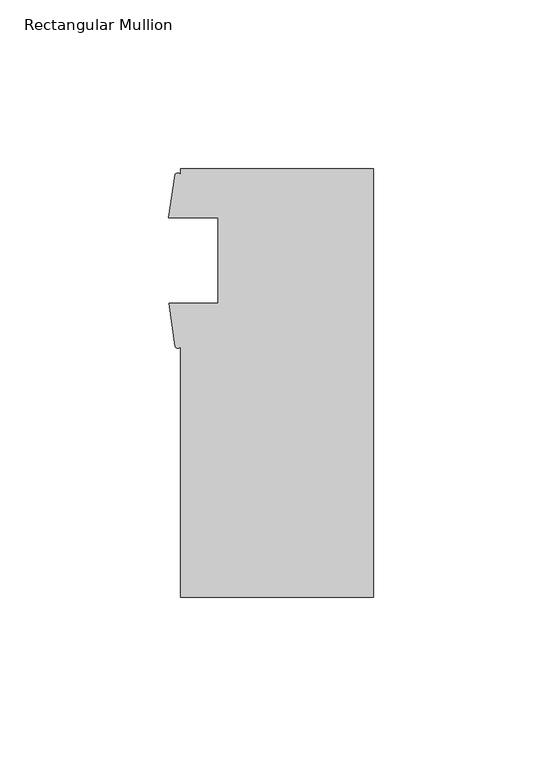
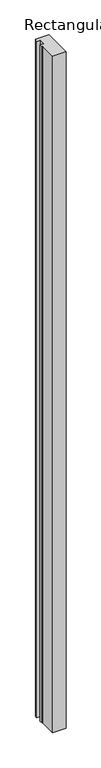
"""IFC4 building model written with IfcOpenShell, lengths in millimetres: member geometry, Rectangular Mullion."""

import ifcopenshell
import ifcopenshell.guid

model = None  # the IFC model being written
_history = None  # IfcOwnerHistory: only IFC2X3 demands one
_inside = {}  # id of a spatial element -> (the spatial element, [elements in it])
_under = {}  # id of a project, library or spatial element -> (it, [spatial elements below it])
_declared = {}  # id of a project -> (the project, [libraries it declares])
_typed = {}  # id of a type object -> (the type object, [elements of that type])
_made_of = {}  # id of a material, layer set ... -> (it, [elements and type objects made of it])


def new_model(schema):
    """Start an empty IFC model of exactly this schema.

    Asked for "IFC4X3", IfcOpenShell would pick the latest addendum, in which some entities
    have other attributes; the version numbers below select the first issue.
    IFC2X3 requires an IfcOwnerHistory on every rooted entity: one is made here for all.
    """
    global model, _history
    if schema == "IFC4X3":
        model = ifcopenshell.file(schema_version=(4, 3, 0, 0))
    else:
        model = ifcopenshell.file(schema=schema)
    _inside.clear()
    _under.clear()
    _declared.clear()
    _typed.clear()
    _made_of.clear()
    _history = None
    if model.schema == "IFC2X3":
        org = make("IfcOrganization", Name="unknown")
        user = make(
            "IfcPersonAndOrganization",
            ThePerson=make("IfcPerson", FamilyName="unknown"),
            TheOrganization=org,
        )
        app = make(
            "IfcApplication",
            ApplicationDeveloper=org,
            Version="unknown",
            ApplicationFullName="unknown",
            ApplicationIdentifier="unknown",
        )
        _history = make(
            "IfcOwnerHistory",
            OwningUser=user,
            OwningApplication=app,
            ChangeAction="ADDED",
            CreationDate=0,
        )
    return model


def make(cls, **values):
    """One entity of the class cls with the attributes given. An attribute that is None is left unset."""
    return model.create_entity(
        cls, **{name: value for name, value in values.items() if value is not None}
    )


def rooted(cls, **values):
    """An entity with a GlobalId (a new one), such as an element, a storey or a relation."""
    return make(cls, GlobalId=ifcopenshell.guid.new(), OwnerHistory=_history, **values)


def si_unit(unit_type, name, prefix=None):
    """IfcSIUnit, for example si_unit("LENGTHUNIT", "METRE", prefix="MILLI")."""
    return make("IfcSIUnit", UnitType=unit_type, Prefix=prefix, Name=name)


def assignment(units):
    """IfcUnitAssignment: the units of a project."""
    return None if units is None else make("IfcUnitAssignment", Units=units)


def point(xyz):
    """IfcCartesianPoint."""
    return None if xyz is None else make("IfcCartesianPoint", Coordinates=xyz)


def direction(xyz):
    """IfcDirection."""
    return None if xyz is None else make("IfcDirection", DirectionRatios=xyz)


def frame(location, z_axis=None, x_axis=None):
    """IfcAxis2Placement3D, a coordinate frame: its origin and axes. An axis left out is left unset."""
    return make(
        "IfcAxis2Placement3D",
        Location=point(location),
        Axis=direction(z_axis),
        RefDirection=direction(x_axis),
    )


def frame_2d(location, x_axis=None):
    """IfcAxis2Placement2D, a coordinate frame in the plane: its origin and x axis."""
    return make(
        "IfcAxis2Placement2D", Location=point(location), RefDirection=direction(x_axis)
    )


def origin():
    """The frame at (0, 0, 0) with its axes left unset."""
    return frame((0.0, 0.0, 0.0))


def place(relative_to, where):
    """IfcLocalPlacement: puts the frame where relative to a parent placement (None: the world)."""
    return make(
        "IfcLocalPlacement", PlacementRelTo=relative_to, RelativePlacement=where
    )


def context(
    kind, dimensions, precision=None, world=None, true_north=None, identifier=None
):
    """IfcGeometricRepresentationContext, for example the 3D "Model" context."""
    return make(
        "IfcGeometricRepresentationContext",
        ContextIdentifier=identifier,
        ContextType=kind,
        CoordinateSpaceDimension=dimensions,
        Precision=precision,
        WorldCoordinateSystem=world,
        TrueNorth=true_north,
    )


def project(units=None, contexts=None):
    """IfcProject with its units and contexts."""
    return rooted(
        "IfcProject",
        Name="project",
        RepresentationContexts=contexts,
        UnitsInContext=assignment(units),
    )


def spatial(cls, under=None, at=None, **own):
    """A site, building, storey or space (cls), placed at a placement, below another one or the project."""
    s = rooted(cls, ObjectPlacement=at, **own)
    if under is not None:
        _under.setdefault(under.id(), (under, []))[1].append(s)
    return s


def polyline(points):
    """IfcPolyline through the points."""
    return make("IfcPolyline", Points=[point(p) for p in points])


def circle_curve(where, radius):
    """IfcCircle in the frame where."""
    return make("IfcCircle", Position=where, Radius=radius)


def trimmed(basis, trim1, trim2, sense, master):
    """IfcTrimmedCurve: the piece of a basis curve between two trims."""
    return make(
        "IfcTrimmedCurve",
        BasisCurve=basis,
        Trim1=trim1,
        Trim2=trim2,
        SenseAgreement=sense,
        MasterRepresentation=master,
    )


def segment(curve, same_sense, transition):
    """IfcCompositeCurveSegment."""
    return make(
        "IfcCompositeCurveSegment",
        Transition=transition,
        SameSense=same_sense,
        ParentCurve=curve,
    )


def composite_curve(segments, self_intersect=None):
    """IfcCompositeCurve: segments joined end to end."""
    return make("IfcCompositeCurve", Segments=segments, SelfIntersect=self_intersect)


def outline(outer, holes=None, kind="AREA"):
    """IfcArbitraryClosedProfileDef: a profile drawn as a closed curve; with holes, ...WithVoids."""
    if holes is None:
        return make("IfcArbitraryClosedProfileDef", ProfileType=kind, OuterCurve=outer)
    return make(
        "IfcArbitraryProfileDefWithVoids",
        ProfileType=kind,
        OuterCurve=outer,
        InnerCurves=holes,
    )


def extrude(swept, where, along, depth):
    """IfcExtrudedAreaSolid: the profile swept, set in the frame where, extruded along a direction by depth."""
    return make(
        "IfcExtrudedAreaSolid",
        SweptArea=swept,
        Position=where,
        ExtrudedDirection=direction(along),
        Depth=depth,
    )


def shape(context_of_items, identifier, shape_type, items):
    """IfcShapeRepresentation: the items that make up one representation, for example the "Body"."""
    return make(
        "IfcShapeRepresentation",
        ContextOfItems=context_of_items,
        RepresentationIdentifier=identifier,
        RepresentationType=shape_type,
        Items=items,
    )


def source(mapping_origin, context_of_items, identifier, shape_type, items):
    """IfcRepresentationMap: a shape defined once, which mapped items show again and again."""
    return make(
        "IfcRepresentationMap",
        MappingOrigin=mapping_origin,
        MappedRepresentation=shape(context_of_items, identifier, shape_type, items),
    )


def transform(
    local_origin,
    x_axis=None,
    y_axis=None,
    z_axis=None,
    scale=None,
    scale2=None,
    scale3=None,
    uniform=True,
):
    """IfcCartesianTransformationOperator3D, or its non-uniform kind. x_axis, y_axis, z_axis: its Axis1, 2, 3."""
    if uniform:
        return make(
            "IfcCartesianTransformationOperator3D",
            Axis1=direction(x_axis),
            Axis2=direction(y_axis),
            LocalOrigin=point(local_origin),
            Scale=scale,
            Axis3=direction(z_axis),
        )
    return make(
        "IfcCartesianTransformationOperator3DnonUniform",
        Axis1=direction(x_axis),
        Axis2=direction(y_axis),
        LocalOrigin=point(local_origin),
        Scale=scale,
        Axis3=direction(z_axis),
        Scale2=scale2,
        Scale3=scale3,
    )


def mapped(mapping_source, mapping_target):
    """IfcMappedItem: shows the shape of a source again, moved by a transform."""
    return make(
        "IfcMappedItem", MappingSource=mapping_source, MappingTarget=mapping_target
    )


def made_of(thing, what):
    """Note that an element or type object is made of a material, layer set ...; save() writes the relation."""
    if what is not None:
        _made_of.setdefault(what.id(), (what, []))[1].append(thing)
    return thing


def element(
    cls,
    number,
    at=None,
    inside=None,
    cuts=None,
    type_object=None,
    material=None,
    context=None,
    identifier="Body",
    shape_type=None,
    held_by="IfcProductDefinitionShape",
    body=None,
    shapes=None,
    **own,
):
    """One element of the class cls, such as IfcWall. Its Tag is "e" and its number.

    at: its placement. inside: the storey or other place that contains it. cuts: it is an
    opening in that element (IfcRelVoidsElement). A single representation is given by context,
    identifier, shape_type and body (its items); several are given by shapes. held_by: the class
    of the entity that holds the representations. save() writes the other relations.
    """
    e = rooted(cls, Tag="e%d" % number, ObjectPlacement=at, **own)
    if body is not None:
        shapes = [shape(context, identifier, shape_type, body)]
    if shapes is not None:
        e.Representation = make(held_by, Representations=shapes)
    if inside is not None:
        _inside.setdefault(inside.id(), (inside, []))[1].append(e)
    if cuts is not None:
        rooted(
            "IfcRelVoidsElement", RelatingBuildingElement=cuts, RelatedOpeningElement=e
        )
    if type_object is not None:
        _typed.setdefault(type_object.id(), (type_object, []))[1].append(e)
    return made_of(e, material)


def aggregate(whole, parts):
    """IfcRelAggregates: a whole, such as a stair, and the parts it consists of."""
    return rooted("IfcRelAggregates", RelatingObject=whole, RelatedObjects=parts)


def save(model, path):
    """Write the relations noted so far, then the file.

    IfcRelAggregates (storeys below a building ...), IfcRelContainedInSpatialStructure (elements
    in a storey), IfcRelDefinesByType, IfcRelAssociatesMaterial and IfcRelDeclares: one each for
    every whole, place, type object, material and project.
    """
    for whole, parts in _under.values():
        aggregate(whole, parts)
    for where, things in _inside.values():
        rooted(
            "IfcRelContainedInSpatialStructure",
            RelatedElements=things,
            RelatingStructure=where,
        )
    for kind, things in _typed.values():
        rooted("IfcRelDefinesByType", RelatedObjects=things, RelatingType=kind)
    for what, things in _made_of.values():
        rooted("IfcRelAssociatesMaterial", RelatedObjects=things, RelatingMaterial=what)
    for by, libraries in _declared.values():
        rooted("IfcRelDeclares", RelatingContext=by, RelatedDefinitions=libraries)
    model.write(path)


def rectangular_mullion_473307ea(model_context):
    return source(origin(), model_context, "Body", "SweptSolid", [
        extrude(outline(composite_curve([segment(polyline([(0.0, -66.2412316), (-57.15, -66.2412316), (-57.15, 8.1552434)]), True, "CONTINUOUS"), segment(trimmed(circle_curve(frame_2d((-57.948, 8.4911956)), 0.8658336), [point((-57.15, 8.1552434))], [point((-58.746, 8.1552434))], False, "CARTESIAN"), True, "CONTINUOUS"), segment(polyline([(-58.746, 8.1552434), (-60.546, 20.8552434), (-46.0375, 20.8552434), (-46.0375, 46.2552434), (-60.6695217, 46.2552434), (-58.8134044, 59.0282962)]), True, "CONTINUOUS"), segment(trimmed(circle_curve(frame_2d((-57.9817022, 58.4713431)), 1.0009622), [point((-58.8134044, 59.0282962))], [point((-57.15, 59.0282962))], False, "CARTESIAN"), True, "CONTINUOUS"), segment(polyline([(-57.15, 59.0282962), (-57.15, 60.7587684), (0.0, 60.7587684), (0.0, -66.2412316)]), True, "CONTINUOUS")], self_intersect=False)), frame((0.0, 0.0, -3048.0), z_axis=(0.0, 0.0, 1.0), x_axis=(1.0, 0.0, 0.0)), (0.0, 0.0, 1.0), 3048.0),
    ])


if __name__ == "__main__":
    model = new_model("IFC4")
    model_context = context("Model", 3, world=origin())
    ifc_project = project(units=[si_unit("LENGTHUNIT", "METRE", prefix="MILLI")], contexts=[model_context])
    site = spatial("IfcSite", under=ifc_project)
    building = spatial("IfcBuilding", under=site)
    placement = place(None, origin())
    rectangular_mullion_shape = rectangular_mullion_473307ea(model_context)
    element("IfcMember", 1, ObjectType="Rectangular Mullion", at=placement, inside=building, context=model_context, shape_type="MappedRepresentation", body=[
        mapped(rectangular_mullion_shape, transform((0.0, 0.0, 0.0), x_axis=(1.0, 0.0, 0.0), y_axis=(0.0, 1.0, 0.0), z_axis=(0.0, 0.0, 1.0))),
    ])
    save(model, "model.ifc")
